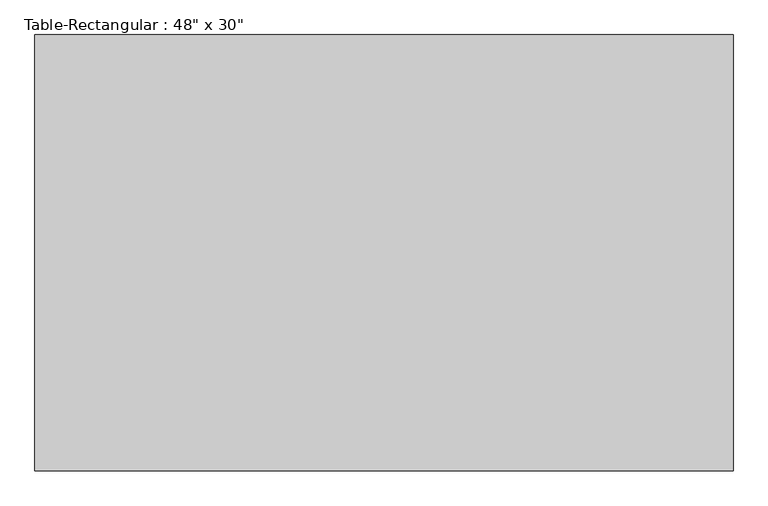
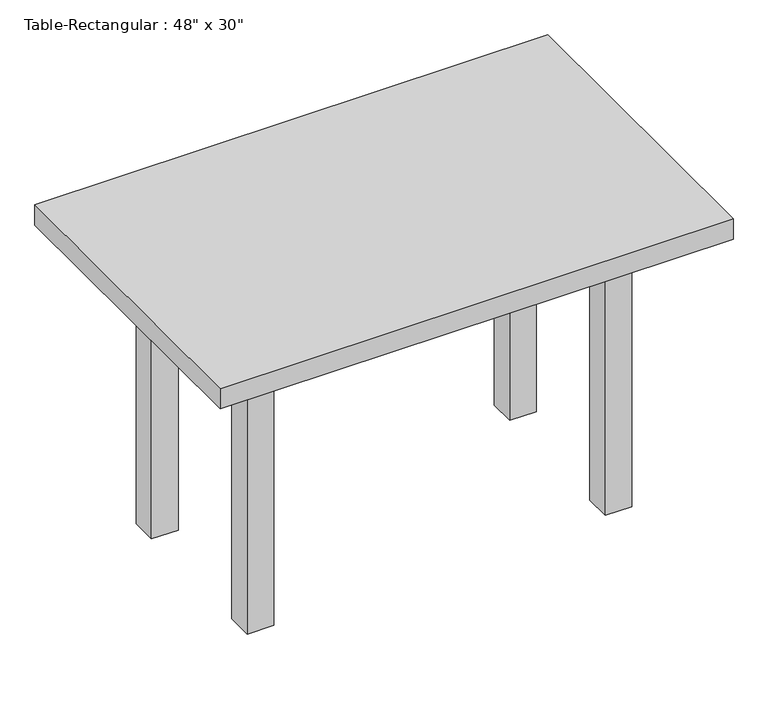
"""IFC4 building model written with IfcOpenShell, lengths in millimetres: furniture geometry."""

from ifc_helpers import new_model, si_unit, frame, origin, origin_with_axes, place, context, project, spatial, polyline, outline, extrude, source, transform, mapped, element, save


def furniture_f0643180(model_context):
    return source(origin(), model_context, "Body", "SweptSolid", [
        extrude(outline(polyline([(393.7, 190.5), (393.7, 165.1), (-393.7, 165.1), (-393.7, 190.5), (393.7, 190.5)])), frame((0.0, 0.0, 609.6), z_axis=(0.0, 0.0, 1.0), x_axis=(1.0, 0.0, 0.0)), (0.0, 0.0, 1.0), 101.6),
        extrude(outline(polyline([(393.7, -190.5), (-393.7, -190.5), (-393.7, -165.1), (393.7, -165.1), (393.7, -190.5)])), frame((0.0, 0.0, 609.6), z_axis=(0.0, 0.0, 1.0), x_axis=(1.0, 0.0, 0.0)), (0.0, 0.0, 1.0), 101.6),
        extrude(outline(polyline([(-406.4, -165.1), (-431.8, -165.1), (-431.8, 165.1), (-406.4, 165.1), (-406.4, -165.1)])), frame((0.0, 0.0, 609.6), z_axis=(0.0, 0.0, 1.0), x_axis=(1.0, 0.0, 0.0)), (0.0, 0.0, 1.0), 101.6),
        extrude(outline(polyline([(406.4, -165.1), (406.4, 165.1), (431.8, 165.1), (431.8, -165.1), (406.4, -165.1)])), frame((0.0, 0.0, 609.6), z_axis=(0.0, 0.0, 1.0), x_axis=(1.0, 0.0, 0.0)), (0.0, 0.0, 1.0), 101.6),
        extrude(outline(polyline([(609.6, 381.0), (609.6, -381.0), (-609.6, -381.0), (-609.6, 381.0), (609.6, 381.0)])), frame((0.0, 0.0, 711.2), z_axis=(0.0, 0.0, 1.0), x_axis=(1.0, 0.0, 0.0)), (0.0, 0.0, 1.0), 50.8),
        extrude(outline(polyline([(-393.7, 228.6), (-393.7, 165.1), (-457.2, 165.1), (-457.2, 228.6), (-393.7, 228.6)])), origin_with_axes(), (0.0, 0.0, 1.0), 711.2),
        extrude(outline(polyline([(393.7, 228.6), (457.2, 228.6), (457.2, 165.1), (393.7, 165.1), (393.7, 228.6)])), origin_with_axes(), (0.0, 0.0, 1.0), 711.2),
        extrude(outline(polyline([(-393.7, -228.6), (-457.2, -228.6), (-457.2, -165.1), (-393.7, -165.1), (-393.7, -228.6)])), origin_with_axes(), (0.0, 0.0, 1.0), 711.2),
        extrude(outline(polyline([(393.7, -228.6), (393.7, -165.1), (457.2, -165.1), (457.2, -228.6), (393.7, -228.6)])), origin_with_axes(), (0.0, 0.0, 1.0), 711.2),
    ])


if __name__ == "__main__":
    model = new_model("IFC4")
    model_context = context("Model", 3, world=origin())
    ifc_project = project(units=[si_unit("LENGTHUNIT", "METRE", prefix="MILLI")], contexts=[model_context])
    site = spatial("IfcSite", under=ifc_project)
    building = spatial("IfcBuilding", under=site)
    placement = place(None, origin())
    furniture_shape = furniture_f0643180(model_context)
    element("IfcFurniture", 1, ObjectType="Table-Rectangular : 48\" x 30\"", at=placement, inside=building, context=model_context, shape_type="MappedRepresentation", body=[
        mapped(furniture_shape, transform((0.0, 0.0, 0.0), x_axis=(1.0, 0.0, 0.0), y_axis=(0.0, 1.0, 0.0), z_axis=(0.0, 0.0, 1.0))),
    ])
    save(model, "model.ifc")
